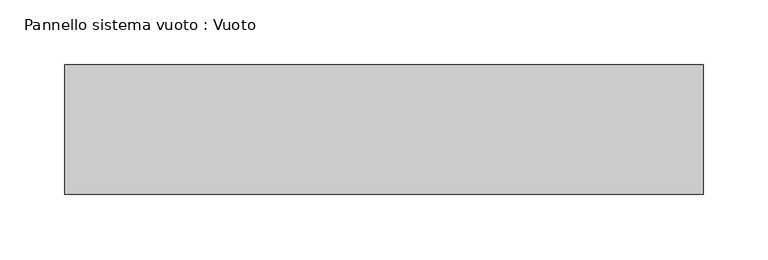
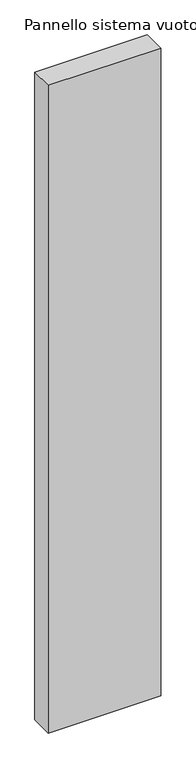
"""IFC4 building model written with IfcOpenShell, lengths in millimetres: plate geometry, Pannello sistema vuoto : Vuoto."""

from ifc_helpers import new_model, si_unit, origin, origin_with_axes, place, context, project, spatial, polyline, outline, extrude, source, transform, mapped, element, save


def pannello_sistema_vuoto_vuoto_fd30dec9(model_context):
    return source(origin(), model_context, "Body", "SweptSolid", [
        extrude(outline(polyline([(246.4577546, -50.0), (-246.4577546, -50.0), (-246.4577546, 50.0), (246.4577546, 50.0), (246.4577546, -50.0)])), origin_with_axes(), (0.0, 0.0, 1.0), 3000.0),
    ])


if __name__ == "__main__":
    model = new_model("IFC4")
    model_context = context("Model", 3, world=origin())
    ifc_project = project(units=[si_unit("LENGTHUNIT", "METRE", prefix="MILLI")], contexts=[model_context])
    site = spatial("IfcSite", under=ifc_project)
    building = spatial("IfcBuilding", under=site)
    placement = place(None, origin())
    pannello_sistema_vuoto_vuoto_shape = pannello_sistema_vuoto_vuoto_fd30dec9(model_context)
    element("IfcPlate", 1, ObjectType="Pannello sistema vuoto : Vuoto", at=placement, inside=building, context=model_context, shape_type="MappedRepresentation", body=[
        mapped(pannello_sistema_vuoto_vuoto_shape, transform((0.0, 0.0, 0.0), x_axis=(1.0, 0.0, 0.0), y_axis=(0.0, 1.0, 0.0), z_axis=(0.0, 0.0, 1.0))),
    ])
    save(model, "model.ifc")
